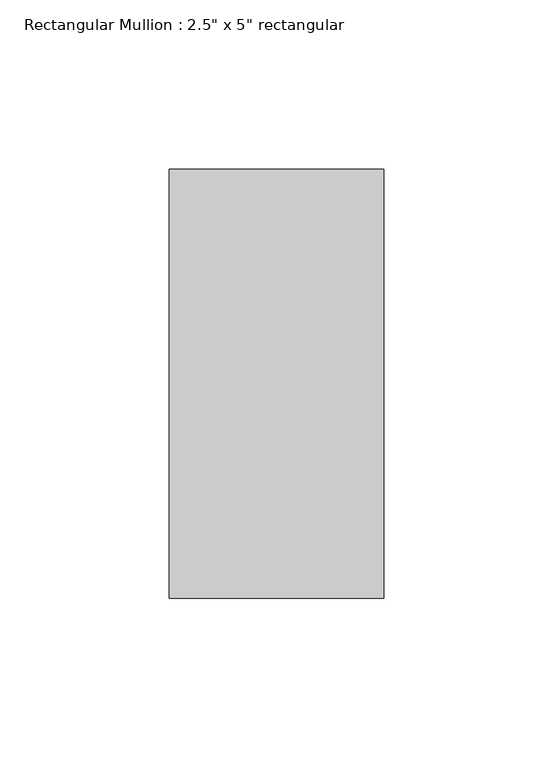
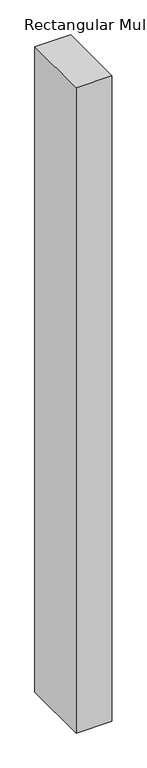
"""IFC4 building model written with IfcOpenShell, lengths in millimetres: member geometry."""

from ifc_helpers import new_model, si_unit, frame, origin, place, context, project, spatial, polyline, outline, extrude, source, transform, mapped, element, save


def member_2b80980d(model_context):
    return source(origin(), model_context, "Body", "SweptSolid", [
        extrude(outline(polyline([(31.75, 63.5), (31.75, -63.5), (-31.75, -63.5), (-31.75, 63.5), (31.75, 63.5)])), frame((0.0, 0.0, -1212.4650757), z_axis=(0.0, 0.0, 1.0), x_axis=(1.0, 0.0, 0.0)), (0.0, 0.0, 1.0), 1212.4650757),
    ])


if __name__ == "__main__":
    model = new_model("IFC4")
    model_context = context("Model", 3, world=origin())
    ifc_project = project(units=[si_unit("LENGTHUNIT", "METRE", prefix="MILLI")], contexts=[model_context])
    site = spatial("IfcSite", under=ifc_project)
    building = spatial("IfcBuilding", under=site)
    placement = place(None, origin())
    member_shape = member_2b80980d(model_context)
    element("IfcMember", 1, ObjectType="Rectangular Mullion : 2.5\" x 5\" rectangular", at=placement, inside=building, context=model_context, shape_type="MappedRepresentation", body=[
        mapped(member_shape, transform((0.0, 0.0, 0.0), x_axis=(1.0, 0.0, 0.0), y_axis=(0.0, 1.0, 0.0), z_axis=(0.0, 0.0, 1.0))),
    ])
    save(model, "model.ifc")
